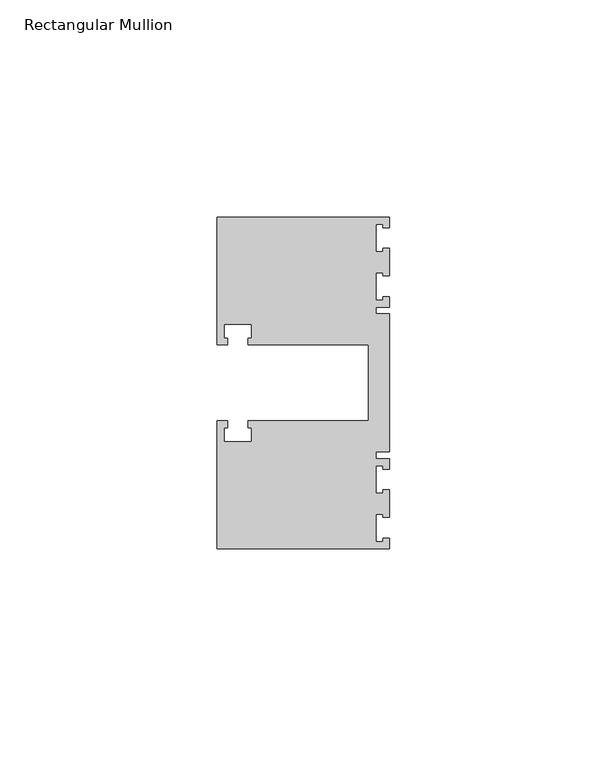
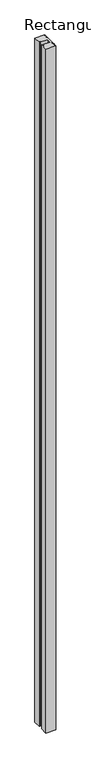
"""IFC4 building model written with IfcOpenShell, lengths in millimetres: member geometry, Rectangular Mullion."""

from ifc_helpers import new_model, si_unit, frame, origin, place, context, project, spatial, polyline, outline, extrude, source, transform, mapped, element, save


def rectangular_mullion_2b370ef0(model_context):
    return source(origin(), model_context, "Body", "SweptSolid", [
        extrude(outline(polyline([(0.0, 38.1), (0.0, 35.71875), (-1.4999946, 35.71875), (-1.4999946, 36.5125), (-3.175, 36.5125), (-3.175, 30.1625), (-1.4999946, 30.1625), (-1.4999946, 30.95625), (0.0, 30.95625), (0.0, 24.60625), (-1.4999946, 24.60625), (-1.4999946, 25.4), (-3.175, 25.4), (-3.175, 19.05), (-1.4999946, 19.05), (-1.4999946, 19.84375), (0.0, 19.84375), (0.0, 17.4625), (-3.175, 17.4625), (-3.175, 15.875), (0.0, 15.875), (0.0, -15.875), (-3.175, -15.875), (-3.175, -17.4625), (0.0, -17.4625), (0.0, -19.84375), (-1.4999946, -19.84375), (-1.4999946, -19.05), (-3.175, -19.05), (-3.175, -25.4), (-1.4999946, -25.4), (-1.4999946, -24.60625), (0.0, -24.60625), (0.0, -30.95625), (-1.4999946, -30.95625), (-1.4999946, -30.1625), (-3.175, -30.1625), (-3.175, -36.5125), (-1.4999946, -36.5125), (-1.4999946, -35.71875), (0.0, -35.71875), (0.0, -38.1), (-39.6875, -38.1), (-39.6875, -8.73125), (-37.30625, -8.73125), (-37.30625, -10.31875), (-38.1, -10.31875), (-38.1, -13.49375), (-31.75, -13.49375), (-31.75, -10.31875), (-32.54375, -10.31875), (-32.54375, -8.73125), (-4.8585733, -8.73125), (-4.8585733, 8.73125), (-32.54375, 8.73125), (-32.54375, 10.31875), (-31.75, 10.31875), (-31.75, 13.49375), (-38.1, 13.49375), (-38.1, 10.31875), (-37.30625, 10.31875), (-37.30625, 8.73125), (-39.6875, 8.73125), (-39.6875, 38.1), (0.0, 38.1)])), frame((0.0, 0.0, -2870.2), z_axis=(0.0, 0.0, 1.0), x_axis=(1.0, 0.0, 0.0)), (0.0, 0.0, 1.0), 2870.2),
    ])


if __name__ == "__main__":
    model = new_model("IFC4")
    model_context = context("Model", 3, world=origin())
    ifc_project = project(units=[si_unit("LENGTHUNIT", "METRE", prefix="MILLI")], contexts=[model_context])
    site = spatial("IfcSite", under=ifc_project)
    building = spatial("IfcBuilding", under=site)
    placement = place(None, origin())
    rectangular_mullion_shape = rectangular_mullion_2b370ef0(model_context)
    element("IfcMember", 1, ObjectType="Rectangular Mullion", at=placement, inside=building, context=model_context, shape_type="MappedRepresentation", body=[
        mapped(rectangular_mullion_shape, transform((0.0, 0.0, 0.0), x_axis=(1.0, 0.0, 0.0), y_axis=(0.0, 1.0, 0.0), z_axis=(0.0, 0.0, 1.0))),
    ])
    save(model, "model.ifc")
